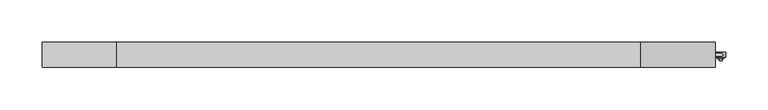
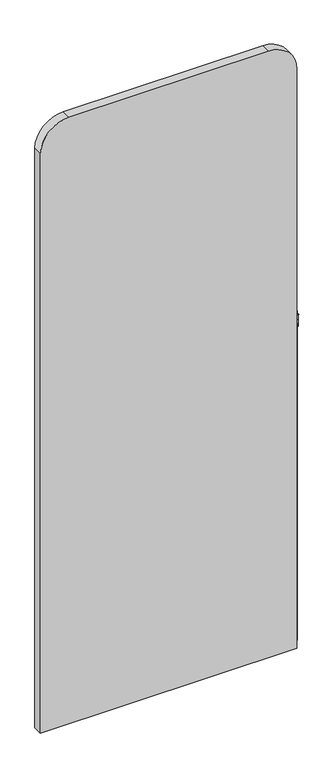
"""IFC4 building model written with IfcOpenShell, lengths in millimetres: furniture geometry."""

from ifc_helpers import new_model, si_unit, point, frame, frame_2d, origin, place, context, project, spatial, polyline, circle_curve, trimmed, segment, composite_curve, outline, extrude, source, transform, mapped, element, save
from ifc_brep_helpers import plane_surface, cylinder_surface, revolved_surface, advanced_brep


def furniture_a5e1d643(model_context):
    return source(origin(), model_context, "Body", "SolidModel", [
        extrude(outline(composite_curve([segment(polyline([(1568.9732363, 45.3925781), (1568.9732363, 48.5675782), (1576.6067094, 48.5675782)]), True, "CONTINUOUS"), segment(trimmed(circle_curve(frame_2d((1576.6067094, 46.9794781)), 1.5881), [point((1576.6067094, 48.5675782))], [point((1577.4004809, 48.3549738))], False, "CARTESIAN"), True, "CONTINUOUS"), segment(trimmed(circle_curve(frame_2d((1578.1941505, 46.9801212)), 1.5874921), [point((1577.4004809, 48.3549738))], [point((1577.4004809, 45.6052685))], False, "CARTESIAN"), True, "CONTINUOUS"), segment(trimmed(circle_curve(frame_2d((1576.6067094, 46.9801212)), 1.5875431), [point((1577.4004809, 45.6052685))], [point((1576.6067094, 45.3925781))], False, "CARTESIAN"), True, "CONTINUOUS"), segment(polyline([(1576.6067094, 45.3925781), (1568.9732363, 45.3925781)]), True, "CONTINUOUS")], self_intersect=False)), frame((0.0, 0.0, 14.9999997), z_axis=(0.0, 0.0, 1.0), x_axis=(1.0, 0.0, 0.0)), (0.0, 0.0, 1.0), 1085.0382816),
        advanced_brep(
        [(1578.9084311, 39.995078, 1091.0971197), (1578.9084311, 39.995078, 1077.1731621), (1578.9084311, 42.1805846, 1077.1731621), (1578.9084311, 42.1805846, 1084.1582009), (1578.9084311, 43.556459, 1084.1582009), (1578.9084311, 43.556459, 1077.1731621), (1578.9084311, 43.805078, 1077.1731621), (1578.9084311, 43.805078, 1092.7684653), (1578.9084311, 43.805078, 1093.0482106), (1578.9084311, 41.9461688, 1093.0482106), (1575.1405713, 39.995078, 1091.0971197), (1575.1405713, 41.9461688, 1093.0482106), (1575.1405713, 43.805078, 1093.0482106), (1575.1405713, 43.805078, 1092.77998), (1575.1405713, 43.805078, 1077.1731621), (1575.1405713, 43.556459, 1077.1731621), (1575.1405713, 43.556459, 1084.1582009), (1575.1405713, 42.1805846, 1084.1582009), (1575.1405713, 42.1805846, 1077.1731621), (1575.1405713, 39.995078, 1077.1731621), (1573.8285844, 50.1550782, 1077.1731621), (1580.1786328, 50.1550782, 1077.1731621), (1580.1786328, 43.805078, 1077.1731621), (1573.8285844, 43.805078, 1077.1731621), (1573.7778607, 50.1550782, 1078.7299711), (1570.6261715, 50.1550782, 1089.0386821), (1583.3810457, 50.1550782, 1089.0386821), (1580.2293564, 50.1550782, 1078.7299711), (1580.2293564, 43.805078, 1078.7299711), (1583.3810457, 43.805078, 1089.0386821), (1570.6261715, 43.805078, 1089.0386821), (1573.7778607, 43.805078, 1078.7299711), (1580.841383, 43.556459, 1051.7731863), (1573.1658341, 43.556459, 1051.7731863), (1573.1658341, 43.556459, 1084.1582009), (1580.841383, 43.556459, 1084.1582009), (1579.1120555, 43.556459, 1053.3606621), (1578.282891, 43.556459, 1062.6385115), (1575.7243262, 43.556459, 1062.6385115), (1574.8951617, 43.556459, 1053.3606621), (1580.841383, 42.1805846, 1051.7731863), (1580.841383, 42.1805846, 1084.1582009), (1573.1658341, 42.1805846, 1084.1582009), (1573.1658341, 42.1805846, 1051.7731863), (1579.1120555, 42.1805846, 1053.3606621), (1574.8951617, 42.1805846, 1053.3606621), (1575.7243262, 42.1805846, 1062.6385115), (1578.282891, 42.1805846, 1062.6385115)],
        [
            (0, 1),
            (1, 2),
            (2, 3),
            (3, 4),
            (4, 5),
            (5, 6),
            (6, 7),
            (7, 8),
            (8, 9),
            (9, 0, circle_curve(frame((1578.9084311, 41.9461688, 1091.0971197), z_axis=(1.0, 0.0, 0.0), x_axis=(0.0, 1.0, 0.0)), 1.9510909)),
            (10, 11, circle_curve(frame((1575.1405713, 41.9461688, 1091.0971197), z_axis=(-1.0, 0.0, 0.0), x_axis=(0.0, 1.0, 0.0)), 1.9510909)),
            (11, 12),
            (12, 13),
            (13, 14),
            (14, 15),
            (15, 16),
            (16, 17),
            (17, 18),
            (18, 19),
            (19, 10),
            (0, 10),
            (19, 1),
            (18, 2),
            (20, 21),
            (21, 22),
            (22, 6),
            (5, 15),
            (14, 23),
            (23, 20),
            (9, 11),
            (20, 24),
            (24, 25, circle_curve(frame((1553.1439135, 50.1550782, 1078.0576799), z_axis=(0.0, -1.0, 0.0), x_axis=(-1.0, 0.0, 0.0)), 20.6448966)),
            (25, 26, circle_curve(frame((1577.0036086, 50.1550782, 1085.937688), z_axis=(0.0, 1.0, 0.0), x_axis=(-1.0, 0.0, 0.0)), 7.091394)),
            (26, 27, circle_curve(frame((1600.8633037, 50.1550782, 1078.0576799), z_axis=(0.0, -1.0, 0.0), x_axis=(-1.0, 0.0, 0.0)), 20.6448966)),
            (27, 21),
            (22, 28),
            (28, 29, circle_curve(frame((1600.8633037, 43.805078, 1078.0576799), z_axis=(0.0, 1.0, 0.0), x_axis=(-1.0, 0.0, 0.0)), 20.6448966)),
            (29, 7, circle_curve(frame((1577.0036086, 43.805078, 1085.937688), z_axis=(0.0, -1.0, 0.0), x_axis=(-1.0, 0.0, 0.0)), 7.091394)),
            (30, 31, circle_curve(frame((1553.1439135, 43.805078, 1078.0576799), z_axis=(0.0, 1.0, 0.0), x_axis=(-1.0, 0.0, 0.0)), 20.6448966)),
            (31, 23),
            (13, 30, circle_curve(frame((1577.0036086, 43.805078, 1085.937688), z_axis=(0.0, -1.0, 0.0), x_axis=(-1.0, 0.0, 0.0)), 7.091394)),
            (31, 24),
            (30, 25),
            (13, 7, circle_curve(frame((1577.0036086, 43.805078, 1085.937688), z_axis=(0.0, 1.0, 0.0), x_axis=(-1.0, 0.0, 0.0)), 7.091394)),
            (29, 26),
            (28, 27),
            (32, 33),
            (33, 34),
            (34, 16),
            (4, 35),
            (35, 32),
            (36, 37),
            (37, 38),
            (38, 39),
            (39, 36),
            (40, 41),
            (41, 3),
            (17, 42),
            (42, 43),
            (43, 40),
            (44, 45),
            (45, 46),
            (46, 47),
            (47, 44),
            (32, 40),
            (43, 33),
            (42, 34),
            (41, 35),
            (36, 44),
            (47, 37),
            (46, 38),
            (45, 39),
            (12, 8),
        ],
        [
            plane_surface(frame((1578.9084311, 39.995078, 1077.1731621), z_axis=(1.0, 0.0, 0.0), x_axis=(0.0, 0.0, -1.0))),
            plane_surface(frame((1575.1405713, 39.995078, 1077.1731621), z_axis=(-1.0, 0.0, 0.0), x_axis=(0.0, 0.0, 1.0))),
            plane_surface(frame((1578.9084311, 39.995078, 1091.0971197), z_axis=(0.0, -1.0, 0.0), x_axis=(-1.0, 0.0, 0.0))),
            plane_surface(frame((1578.9084311, 39.995078, 1077.1731621), z_axis=(0.0, 0.0, -1.0), x_axis=(-1.0, 0.0, 0.0))),
            cylinder_surface(frame((1575.1405713, 41.9461688, 1091.0971197), z_axis=(1.0, 0.0, 0.0), x_axis=(0.0, 1.0, 0.0)), 1.9510909),
            plane_surface(frame((1573.8285844, 50.1550782, 1077.1731621), z_axis=(0.0, 1.0, 0.0), x_axis=(-1.0, 0.0, 0.0))),
            plane_surface(frame((1573.8285844, 43.805078, 1077.1731621), z_axis=(0.0, -1.0, 0.0), x_axis=(1.0, 0.0, 0.0))),
            plane_surface(frame((1573.8285844, 50.1550782, 1077.1731621), z_axis=(-0.9994696352331659, 0.0, -0.03256452436137249), x_axis=(0.0, -1.0, 0.0))),
            revolved_surface(polyline([(1532.4990169, 43.805078, 1078.0576799), (1532.4990169, 50.1550782, 1078.0576799)]), (1553.1439135, 43.805078, 1078.0576799), (0.0, -1.0, 0.0)),
            cylinder_surface(frame((1577.0036086, 43.805078, 1085.937688), z_axis=(0.0, 1.0, 0.0), x_axis=(-1.0, 0.0, 0.0)), 7.091394),
            revolved_surface(polyline([(1580.2184071, 43.805078, 1078.0576799), (1580.2184071, 50.1550782, 1078.0576799)]), (1600.8633037, 43.805078, 1078.0576799), (0.0, -1.0, 0.0)),
            plane_surface(frame((1580.2293564, 50.1550782, 1078.7299711), z_axis=(0.9994696352331701, 0.0, -0.032564524361244136), x_axis=(0.0, -1.0, 0.0))),
            plane_surface(frame((1580.841383, 43.556459, 1051.7731863), z_axis=(0.0, 1.0, 0.0), x_axis=(-1.0, 0.0, 0.0))),
            plane_surface(frame((1580.841383, 42.1805846, 1051.7731863), z_axis=(0.0, -1.0, 0.0), x_axis=(1.0, 0.0, 0.0))),
            plane_surface(frame((1580.841383, 43.556459, 1051.7731863), z_axis=(0.0, 0.0, -1.0), x_axis=(0.0, -1.0, 0.0))),
            plane_surface(frame((1573.1658341, 43.556459, 1051.7731863), z_axis=(-1.0, 0.0, 0.0), x_axis=(0.0, -1.0, 0.0))),
            plane_surface(frame((1573.1658341, 43.556459, 1084.1582009), z_axis=(0.0, 0.0, 1.0), x_axis=(0.0, -1.0, 0.0))),
            plane_surface(frame((1580.841383, 43.556459, 1084.1582009), z_axis=(1.0, 0.0, 0.0), x_axis=(0.0, -1.0, 0.0))),
            plane_surface(frame((1579.1120555, 43.556459, 1053.3606621), z_axis=(-0.99603023592217, 0.0, -0.08901555554410916), x_axis=(0.0, -1.0, 0.0))),
            plane_surface(frame((1578.282891, 43.556459, 1062.6385115), z_axis=(0.0, 0.0, -1.0), x_axis=(0.0, -1.0, 0.0))),
            plane_surface(frame((1575.7243262, 43.556459, 1062.6385115), z_axis=(0.99603023592217, 0.0, -0.08901555554410916), x_axis=(0.0, -1.0, 0.0))),
            plane_surface(frame((1574.8951617, 43.556459, 1053.3606621), z_axis=(0.0, 0.0, 1.0), x_axis=(0.0, -1.0, 0.0))),
            plane_surface(frame((1578.9084311, 43.805078, 1077.1731621), z_axis=(0.0, 1.0, 0.0), x_axis=(-1.0, 0.0, 0.0))),
            plane_surface(frame((1578.9084311, 43.805078, 1093.0482106), z_axis=(0.0, 0.0, 1.0), x_axis=(-1.0, 0.0, 0.0))),
        ],
        [
            (0, [[1, 2, 3, 4, 5, 6, 7, 8, 9, 10]]),
            (1, [[11, 12, 13, 14, 15, 16, 17, 18, 19, 20]]),
            (2, [[-1, 21, -20, 22]]),
            (3, [[-22, -19, 23, -2]]),
            (3, [[24, 25, 26, -6, 27, -15, 28, 29]]),
            (4, [[-10, 30, -11, -21]]),
            (5, [[-24, 31, 32, 33, 34, 35]]),
            (6, [[36, 37, 38, -7, -26]]),
            (6, [[39, 40, -28, -14, 41]]),
            (7, [[-31, -29, -40, 42]]),
            (8, [[-32, -42, -39, 43]]),
            (9, [[-33, -43, -41, 44, -38, 45]]),
            (10, [[-34, -45, -37, 46]]),
            (11, [[-35, -46, -36, -25]]),
            (12, [[47, 48, 49, -16, -27, -5, 50, 51], [52, 53, 54, 55]]),
            (13, [[56, 57, -3, -23, -18, 58, 59, 60], [61, 62, 63, 64]]),
            (14, [[-47, 65, -60, 66]]),
            (15, [[-48, -66, -59, 67]]),
            (16, [[-67, -58, -17, -49]]),
            (16, [[68, -50, -4, -57]]),
            (17, [[-51, -68, -56, -65]]),
            (18, [[-52, 69, -64, 70]]),
            (19, [[-53, -70, -63, 71]]),
            (20, [[-54, -71, -62, 72]]),
            (21, [[-55, -72, -61, -69]]),
            (22, [[73, -8, -44, -13]]),
            (23, [[-9, -73, -12, -30]]),
        ],
    ),
        extrude(outline(composite_curve([segment(polyline([(0.0, 770.5185539), (0.0, 1570.6185539), (1911.0523438, 1570.6185539)]), True, "CONTINUOUS"), segment(trimmed(circle_curve(frame_2d((1911.0523438, 1481.7185539)), 88.9), [point((1911.0523438, 1570.6185539))], [point((1999.9523438, 1481.7185539))], False, "CARTESIAN"), True, "CONTINUOUS"), segment(polyline([(1999.9523438, 1481.7185539), (1999.9523438, 859.4185539)]), True, "CONTINUOUS"), segment(trimmed(circle_curve(frame_2d((1911.0523438, 859.4185539)), 88.9), [point((1999.9523438, 859.4185539))], [point((1911.0523438, 770.5185539))], False, "CARTESIAN"), True, "CONTINUOUS"), segment(polyline([(1911.0523438, 770.5185539), (0.0, 770.5185539)]), True, "CONTINUOUS")], self_intersect=False)), frame((0.0, 31.9980469, 0.0), z_axis=(0.0, 1.0, 0.0), x_axis=(0.0, 0.0, 1.0)), (0.0, 0.0, 1.0), 29.9640625),
    ])


if __name__ == "__main__":
    model = new_model("IFC4")
    model_context = context("Model", 3, world=origin())
    ifc_project = project(units=[si_unit("LENGTHUNIT", "METRE", prefix="MILLI")], contexts=[model_context])
    site = spatial("IfcSite", under=ifc_project)
    building = spatial("IfcBuilding", under=site)
    placement = place(None, origin())
    furniture_shape = furniture_a5e1d643(model_context)
    element("IfcFurniture", 1, at=placement, inside=building, context=model_context, shape_type="MappedRepresentation", body=[
        mapped(furniture_shape, transform((0.0, 0.0, 0.0), x_axis=(1.0, 0.0, 0.0), y_axis=(0.0, 1.0, 0.0), z_axis=(0.0, 0.0, 1.0))),
    ])
    save(model, "model.ifc")
